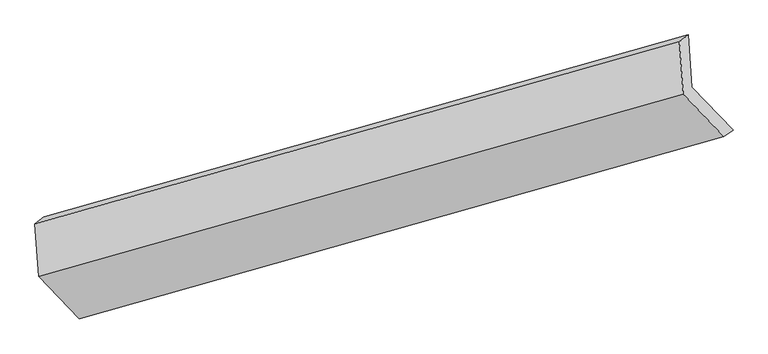
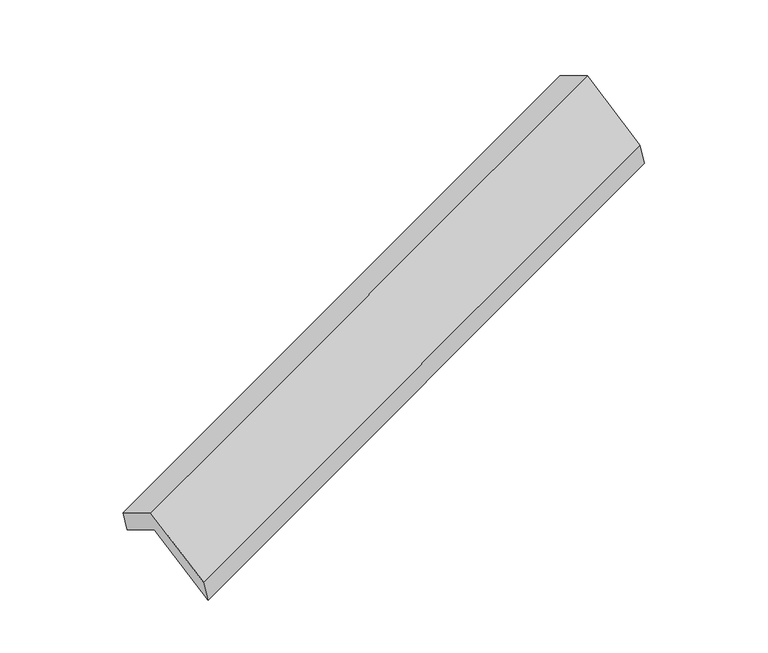
"""IFC4 building model written with IfcOpenShell, lengths in millimetres: proxy geometry."""

from ifc_helpers import new_model, si_unit, origin, place, context, project, spatial, faceted_brep, source, transform, mapped, element, save


def generic_models_361bb1cd(model_context):
    return source(origin(), model_context, "Body", "Brep", [
        faceted_brep([(-5096.391403, -2121.3315469, 1280.2929005), (-5122.2624601, -1766.8341362, 1075.8701114), (-759.3903599, -532.1252096, 2664.8759444), (-733.5193028, -886.6226203, 2869.2987335), (-5181.3581283, -1813.3989351, 1275.3424864), (-818.4860282, -578.6900086, 2864.3483194), (-5155.4870713, -2167.8963458, 1479.7652755), (-792.6149711, -933.1874192, 3068.7711085), (-4881.2250575, -2455.6141885, 946.1130396), (-518.3529573, -1220.9052619, 2535.1188726), (-4818.0077615, -2413.3732323, 738.6209035), (-455.1356613, -1178.6643058, 2327.6267365)], [[[0, 1, 2, 3]], [[1, 4, 5, 2]], [[4, 6, 7, 5]], [[6, 8, 9, 7]], [[8, 10, 11, 9]], [[10, 0, 3, 11]], [[9, 11, 3, 2, 5, 7]], [[0, 10, 8, 6, 4, 1]]]),
    ])


if __name__ == "__main__":
    model = new_model("IFC4")
    model_context = context("Model", 3, world=origin())
    ifc_project = project(units=[si_unit("LENGTHUNIT", "METRE", prefix="MILLI")], contexts=[model_context])
    site = spatial("IfcSite", under=ifc_project)
    building = spatial("IfcBuilding", under=site)
    placement = place(None, origin())
    generic_models_shape = generic_models_361bb1cd(model_context)
    element("IfcBuildingElementProxy", 1, Name="Generic Models", at=placement, inside=building, context=model_context, shape_type="MappedRepresentation", body=[
        mapped(generic_models_shape, transform((0.0, 0.0, 0.0), x_axis=(1.0, 0.0, 0.0), y_axis=(0.0, 1.0, 0.0), z_axis=(0.0, 0.0, 1.0))),
    ])
    save(model, "model.ifc")
